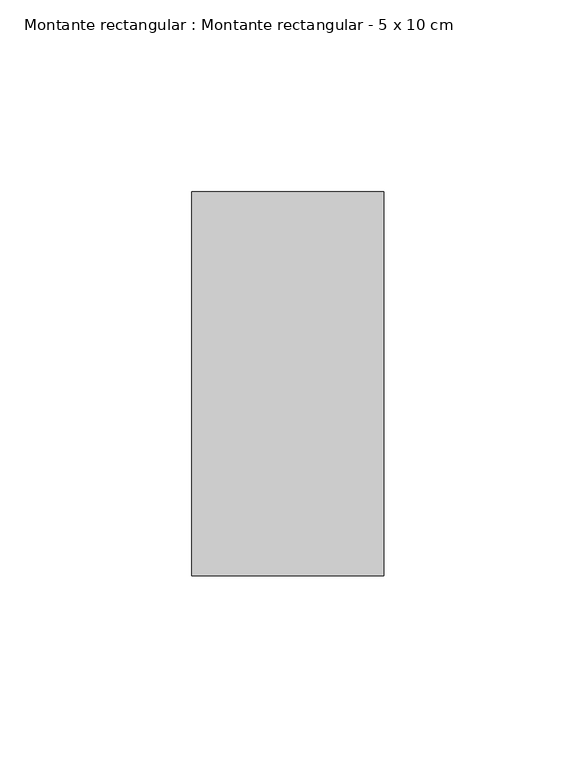
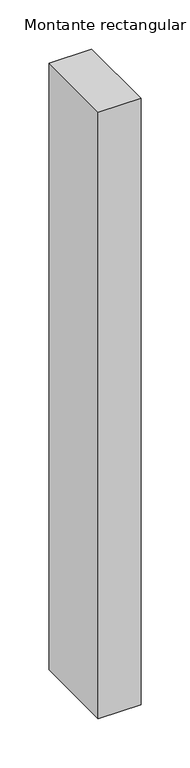
"""IFC4 building model written with IfcOpenShell, lengths in millimetres: member geometry, Montante rectangular : Montante rectangular - 5 x 10 cm."""

from ifc_helpers import new_model, si_unit, frame, origin, place, context, project, spatial, polyline, outline, extrude, source, transform, mapped, element, save


def montante_rectangular_montante_rectangular_5_x_10_cm_7e5c1694(model_context):
    return source(origin(), model_context, "Body", "SweptSolid", [
        extrude(outline(polyline([(-50.0, -50.0), (-50.0, 50.0), (0.0, 50.0), (0.0, -50.0), (-50.0, -50.0)])), frame((0.0, 0.0, -752.0), z_axis=(0.0, 0.0, 1.0), x_axis=(1.0, 0.0, 0.0)), (0.0, 0.0, 1.0), 752.0),
    ])


if __name__ == "__main__":
    model = new_model("IFC4")
    model_context = context("Model", 3, world=origin())
    ifc_project = project(units=[si_unit("LENGTHUNIT", "METRE", prefix="MILLI")], contexts=[model_context])
    site = spatial("IfcSite", under=ifc_project)
    building = spatial("IfcBuilding", under=site)
    placement = place(None, origin())
    montante_rectangular_montante_rectangular_5_x_10_cm_shape = montante_rectangular_montante_rectangular_5_x_10_cm_7e5c1694(model_context)
    element("IfcMember", 1, ObjectType="Montante rectangular : Montante rectangular - 5 x 10 cm", at=placement, inside=building, context=model_context, shape_type="MappedRepresentation", body=[
        mapped(montante_rectangular_montante_rectangular_5_x_10_cm_shape, transform((0.0, 0.0, 0.0), x_axis=(1.0, 0.0, 0.0), y_axis=(0.0, 1.0, 0.0), z_axis=(0.0, 0.0, 1.0))),
    ])
    save(model, "model.ifc")
